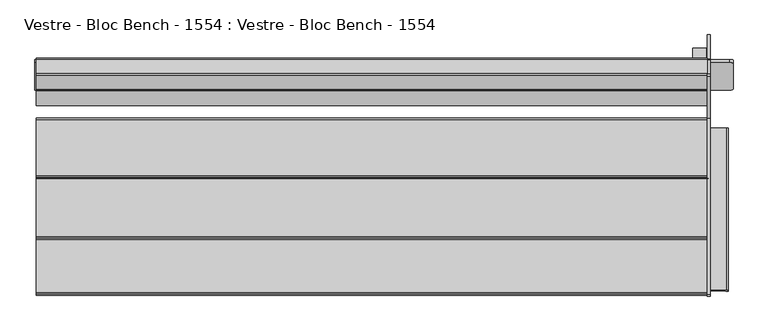
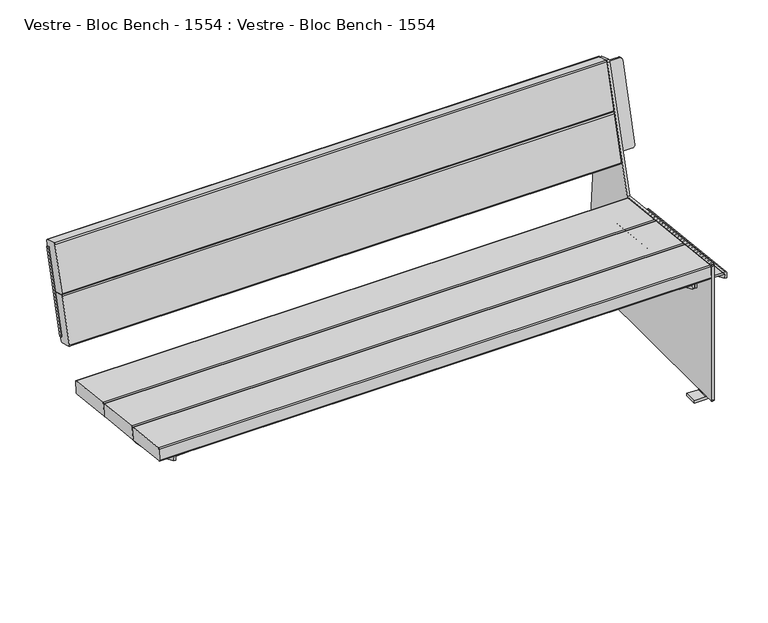
"""IFC4 building model written with IfcOpenShell, lengths in millimetres: furniture geometry, Vestre - Bloc Bench - 1554 : Vestre - Bloc Bench - 1554."""

from ifc_helpers import new_model, si_unit, point, frame, frame_2d, origin, place, context, project, spatial, polyline, circle_curve, trimmed, segment, composite_curve, outline, extrude, source, transform, mapped, element, save
from ifc_brep_helpers import plane_surface, cylinder_surface, revolved_surface, advanced_brep


def vestre_bloc_bench_1554_vestre_bloc_bench_1554_32e1565e(model_context):
    return source(origin(), model_context, "Body", "SolidModel", [
        extrude(outline(composite_curve([segment(polyline([(-56.651105, 0.0), (0.0, 0.0)]), True, "CONTINUOUS"), segment(trimmed(circle_curve(frame_2d((0.0, -8.0000001)), 8.0), [point((0.0, 0.0))], [point((7.9184089, -6.8603506))], False, "CARTESIAN"), True, "CONTINUOUS"), segment(polyline([(7.9184089, -6.8603506), (7.45034, -256.1095797)]), True, "CONTINUOUS"), segment(trimmed(circle_curve(frame_2d((-0.5496459, -256.0945564)), 8.0), [point((7.45034, -256.1095797))], [point((-0.5646692, -264.0945423))], False, "CARTESIAN"), True, "CONTINUOUS"), segment(polyline([(-0.5646692, -264.0945423), (-57.1468526, -263.9882857), (-56.651105, 0.0)]), True, "CONTINUOUS")], self_intersect=False)), frame((809.1212977, 204.6742237, 503.5014558), z_axis=(0.0013631459484884157, -0.9642258427672697, 0.2650786033856215), x_axis=(-0.9999973076401404, -0.001812174113181221, -0.0014493920980687164)), (0.0, 0.0, 1.0), 8.5816086),
        extrude(outline(composite_curve([segment(polyline([(0.0117144, 0.0), (264.0004656, 0.0), (264.0004656, -56.5822832)]), True, "CONTINUOUS"), segment(trimmed(circle_curve(frame_2d((256.0004656, -56.5822832)), 8.0), [point((264.0004656, -56.5822832))], [point((256.0004655, -64.5822832))], False, "CARTESIAN"), True, "CONTINUOUS"), segment(polyline([(256.0004655, -64.5822832), (6.750797, -64.5822832)]), True, "CONTINUOUS"), segment(trimmed(circle_curve(frame_2d((7.9053145, -56.6660284)), 8.0), [point((6.750797, -64.5822832))], [point((-0.0946714, -56.6510051))], False, "CARTESIAN"), True, "CONTINUOUS"), segment(polyline([(-0.0946714, -56.6510051), (0.0117144, 0.0)]), True, "CONTINUOUS")], self_intersect=False)), frame((-865.7722502, 204.7737801, 503.5722702), z_axis=(-0.0013631459484884229, -0.9642258427672697, 0.2650786033856215), x_axis=(0.0, 0.265078849666105, 0.9642267386147797)), (0.0, 0.0, 1.0), 8.5816086),
        advanced_brep(
        [(913.5831908, -321.0984876, 392.7020678), (913.5831908, 96.5595156, 347.1443157), (913.5831908, 98.3166022, 363.2605016), (913.5831908, -319.3437805, 408.7964286), (907.5875968, 96.5595156, 347.1443157), (907.5875968, -321.0984876, 392.7020678), (907.5875968, -319.8223825, 404.4066392), (907.5875968, 97.8380001, 358.8707122), (909.5831908, -318.9102447, 412.772865), (867.597952, -318.9102447, 412.772865), (867.597952, -319.7193007, 405.3521172), (906.6365161, -319.7193007, 405.3521172), (906.6365161, 97.941082, 359.8161902), (867.597952, 97.941082, 359.8161902), (867.597952, 98.750138, 367.236938), (909.5831908, 98.750138, 367.236938)],
        [
            (0, 1, circle_curve(frame((913.5831908, -59.7670647, 851.2475639), z_axis=(1.0, 0.0, 0.0), x_axis=(0.0, -1.0, 0.0)), 527.7860216)),
            (1, 2),
            (2, 3),
            (3, 0),
            (4, 5, circle_curve(frame((907.5875968, -59.7670647, 851.2475639), z_axis=(-1.0, 0.0, 0.0), x_axis=(0.0, -1.0, 0.0)), 527.7860216)),
            (5, 6),
            (6, 7),
            (7, 4),
            (5, 0),
            (3, 8, circle_curve(frame((909.5831908, -319.3437805, 408.7964286), z_axis=(0.0, -0.9941091089617909, 0.10838394474826071), x_axis=(0.0, -0.10838394474826071, -0.9941091089617909)), 4.0)),
            (8, 9),
            (9, 10),
            (10, 11),
            (11, 6, circle_curve(frame((906.6365161, -319.8223825, 404.4066392), z_axis=(0.0, 0.9941091089617909, -0.10838394474826071), x_axis=(0.0, -0.10838394474826071, -0.9941091089617909)), 0.9510807)),
            (4, 1),
            (7, 12, circle_curve(frame((906.6365161, 97.8380001, 358.8707122), z_axis=(0.0, -0.9941091089617909, 0.10838394474826071), x_axis=(0.0, -0.10838394474826071, -0.9941091089617909)), 0.9510807)),
            (12, 13),
            (13, 14),
            (14, 15),
            (15, 2, circle_curve(frame((909.5831908, 98.3166022, 363.2605016), z_axis=(0.0, 0.9941091089617909, -0.10838394474826071), x_axis=(0.0, -0.10838394474826071, -0.9941091089617909)), 4.0)),
            (9, 14),
            (13, 10),
            (12, 11),
            (15, 8),
        ],
        [
            plane_surface(frame((913.5831908, -319.8564605, 404.0940726), z_axis=(1.0, 0.0, 0.0), x_axis=(0.0, -0.10838394474826007, -0.994109108961791))),
            plane_surface(frame((907.5875968, -319.8564605, 404.0940726), z_axis=(-1.0, 0.0, 0.0), x_axis=(0.0, 0.10838394474826007, 0.994109108961791))),
            plane_surface(frame((913.5831908, -319.8564605, 404.0940726), z_axis=(0.0, -0.994109108961791, 0.10838394474826007), x_axis=(-1.0, 0.0, 0.0))),
            cylinder_surface(frame((907.5875968, -59.7670647, 851.2475639), z_axis=(1.0, 0.0, 0.0), x_axis=(0.0, -1.0, 0.0)), 527.7860216),
            plane_surface(frame((913.5831908, 96.5595156, 347.1443157), z_axis=(0.0, 0.9941091089617916, -0.10838394474825458), x_axis=(-1.0, 0.0, 0.0))),
            plane_surface(frame((867.597952, -318.9102447, 412.772865), z_axis=(-1.0000000000000002, 0.0, 0.0), x_axis=(0.0, 0.994109108961791, -0.10838394474826066))),
            plane_surface(frame((867.597952, -319.7193007, 405.3521172), z_axis=(0.0, -0.10838394474826069, -0.994109108961791), x_axis=(0.0, 0.994109108961791, -0.10838394474826069))),
            revolved_surface(polyline([(906.6365161, 97.73491824228601, 357.9252342105562), (906.6365161, -319.92546445485533, 403.46116123677587)]), (906.6365161, 97.8380001, 358.8707122), (0.0, 0.9941091089617909, -0.10838394474826071)),
            cylinder_surface(frame((909.5831908, 98.3166022, 363.2605016), z_axis=(0.0, -0.9941091089617909, 0.10838394474826071), x_axis=(0.0, -0.10838394474826071, -0.9941091089617909)), 4.0),
            plane_surface(frame((909.5831908, -318.9102447, 412.772865), z_axis=(0.0, 0.10838394474826066, 0.994109108961791), x_axis=(0.0, 0.994109108961791, -0.10838394474826066))),
        ],
        [
            (0, [[1, 2, 3, 4]]),
            (1, [[5, 6, 7, 8]]),
            (2, [[-6, 9, -4, 10, 11, 12, 13, 14]]),
            (3, [[-1, -9, -5, 15]]),
            (4, [[-2, -15, -8, 16, 17, 18, 19, 20]]),
            (5, [[-12, 21, -18, 22]]),
            (6, [[-13, -22, -17, 23]]),
            (7, [[-14, -23, -16, -7]]),
            (8, [[-10, -3, -20, 24]]),
            (9, [[-11, -24, -19, -21]]),
        ],
    ),
        extrude(outline(polyline([(0.0, -19.9999999), (0.0, 0.0), (1612.8148813, 0.0), (1612.8148813, -19.9999999), (0.0, -19.9999999)])), frame((806.271869, -17.9230139, 331.2273795), z_axis=(0.0, 0.10862274800818965, 0.9940830441241564), x_axis=(-1.0, 0.0, 0.0)), (0.0, 0.0, 1.0), 40.0),
        extrude(outline(polyline([(0.0, -20.0), (0.0, 0.0), (1612.8148813, 0.0), (1612.8148813, -20.0), (0.0, -20.0)])), frame((806.271869, -232.1337214, 354.6340312), z_axis=(0.0, 0.10862274800818968, 0.9940830441241564), x_axis=(-1.0, 0.0, 0.0)), (0.0, 0.0, 1.0), 40.0),
        advanced_brep(
        [(766.5577736, -318.9102447, 412.772865), (766.5577736, -319.7193007, 405.3521172), (805.5963377, -319.7193007, 405.3521172), (806.5474184, -319.8223825, 404.4066392), (806.5474184, -321.0984876, 392.7020678), (812.5430123, -321.0984876, 392.7020678), (812.5430123, -319.8564605, 404.0940726), (812.5430123, -319.3437805, 408.7964286), (808.5430123, -318.9102447, 412.772865), (766.5577736, 98.750138, 367.236938), (808.5430123, 98.750138, 367.236938), (812.5430123, 98.3166022, 363.2605016), (812.5430123, 97.8039221, 358.5581456), (812.5430123, 96.5595156, 347.1443157), (806.5474184, 96.5595156, 347.1443157), (806.5474184, 97.8380001, 358.8707122), (805.5963377, 97.941082, 359.8161902), (766.5577736, 97.941082, 359.8161902)],
        [
            (0, 1),
            (1, 2),
            (2, 3, circle_curve(frame((805.5963377, -319.8223825, 404.4066392), z_axis=(0.0, 0.9941091089617909, -0.10838394474826071), x_axis=(0.0, -0.10838394474826071, -0.9941091089617909)), 0.9510807)),
            (3, 4),
            (4, 5),
            (5, 6),
            (6, 7),
            (7, 8, circle_curve(frame((808.5430123, -319.3437805, 408.7964286), z_axis=(0.0, -0.9941091089617909, 0.10838394474826071), x_axis=(0.0, -0.10838394474826071, -0.9941091089617909)), 4.0)),
            (8, 0),
            (9, 10),
            (10, 11, circle_curve(frame((808.5430123, 98.3166022, 363.2605016), z_axis=(0.0, 0.9941091089617909, -0.10838394474826071), x_axis=(0.0, -0.10838394474826071, -0.9941091089617909)), 4.0)),
            (11, 12),
            (12, 13),
            (13, 14),
            (14, 15),
            (15, 16, circle_curve(frame((805.5963377, 97.8380001, 358.8707122), z_axis=(0.0, -0.9941091089617909, 0.10838394474826071), x_axis=(0.0, -0.10838394474826071, -0.9941091089617909)), 0.9510807)),
            (16, 17),
            (17, 9),
            (0, 9),
            (17, 1),
            (16, 2),
            (15, 3),
            (14, 4, circle_curve(frame((806.5474184, -59.7670647, 851.2475639), z_axis=(-1.0, 0.0, 0.0), x_axis=(0.0, -1.0, 0.0)), 527.7860216)),
            (5, 13, circle_curve(frame((812.5430123, -59.7670647, 851.2475639), z_axis=(1.0, 0.0, 0.0), x_axis=(0.0, -1.0, 0.0)), 527.7860216)),
            (12, 6),
            (11, 7),
            (10, 8),
        ],
        [
            plane_surface(frame((766.5577736, -319.8423819, 404.223203), z_axis=(0.0, -0.9941091089617909, 0.10838394474826071), x_axis=(0.0, -0.10838394474826071, -0.9941091089617909))),
            plane_surface(frame((766.5577736, 97.8180007, 358.6872759), z_axis=(0.0, 0.9941091089617909, -0.10838394474826071), x_axis=(0.0, 0.10838394474826071, 0.9941091089617909))),
            plane_surface(frame((766.5577736, -318.9102447, 412.772865), z_axis=(-1.0000000000000002, 0.0, 0.0), x_axis=(0.0, 0.994109108961791, -0.10838394474826066))),
            plane_surface(frame((766.5577736, -319.7193007, 405.3521172), z_axis=(0.0, -0.10838394474826069, -0.994109108961791), x_axis=(0.0, 0.994109108961791, -0.10838394474826069))),
            revolved_surface(polyline([(805.5963377, 97.73491824228601, 357.9252342105562), (805.5963377, -319.92546445485533, 403.46116123677587)]), (805.5963377, 97.8380001, 358.8707122), (0.0, 0.9941091089617909, -0.10838394474826071)),
            plane_surface(frame((806.5474184, -319.8223825, 404.4066392), z_axis=(-1.0000000000000002, 0.0, 0.0), x_axis=(0.0, 0.994109108961791, -0.10838394474826064))),
            plane_surface(frame((812.5430123, -320.2027771, 400.9176199), z_axis=(1.0000000000000002, 0.0, 0.0), x_axis=(0.0, 0.994109108961791, -0.10838394474826066))),
            plane_surface(frame((812.5430123, -319.8564605, 404.0940726), z_axis=(1.0000000000000002, 0.0, 0.0), x_axis=(0.0, 0.994109108961791, -0.10838394474826066))),
            cylinder_surface(frame((808.5430123, 98.3166022, 363.2605016), z_axis=(0.0, -0.9941091089617909, 0.10838394474826071), x_axis=(0.0, -0.10838394474826071, -0.9941091089617909)), 4.0),
            plane_surface(frame((808.5430123, -318.9102447, 412.772865), z_axis=(0.0, 0.10838394474826066, 0.994109108961791), x_axis=(0.0, 0.994109108961791, -0.10838394474826066))),
            cylinder_surface(frame((806.5474184, -59.7670647, 851.2475639), z_axis=(1.0, 0.0, 0.0), x_axis=(0.0, -1.0, 0.0)), 527.7860216),
        ],
        [
            (0, [[1, 2, 3, 4, 5, 6, 7, 8, 9]]),
            (1, [[10, 11, 12, 13, 14, 15, 16, 17, 18]]),
            (2, [[-1, 19, -18, 20]]),
            (3, [[-2, -20, -17, 21]]),
            (4, [[-3, -21, -16, 22]]),
            (5, [[-4, -22, -15, 23]]),
            (6, [[-6, 24, -13, 25]]),
            (7, [[-7, -25, -12, 26]]),
            (8, [[-8, -26, -11, 27]]),
            (9, [[-9, -27, -10, -19]]),
            (10, [[-24, -5, -23, -14]]),
        ],
    ),
        advanced_brep(
        [(813.6175866, 96.5595156, 347.1443157), (813.6175866, -321.0984876, 392.7020678), (813.6175866, -319.360624, 408.6419375), (813.6175866, 98.2997586, 363.1060105), (819.6131806, -321.0984876, 392.7020678), (819.6131806, 96.5595156, 347.1443157), (819.6131806, 97.8380001, 358.8707122), (819.6131806, -319.8223825, 404.4066392), (820.5642613, -319.7193007, 405.3521172), (859.6028254, -319.7193007, 405.3521172), (859.6028254, -318.9270883, 412.6183739), (817.6175866, -318.9270883, 412.6183739), (817.6175866, 98.7332944, 367.0824469), (859.6028254, 98.7332944, 367.0824469), (859.6028254, 97.941082, 359.8161902), (820.5642613, 97.941082, 359.8161902)],
        [
            (0, 1, circle_curve(frame((813.6175866, -59.7670647, 851.2475639), z_axis=(-1.0, 0.0, 0.0), x_axis=(0.0, -1.0, 0.0)), 527.7860216)),
            (1, 2),
            (2, 3),
            (3, 0),
            (4, 5, circle_curve(frame((819.6131806, -59.7670647, 851.2475639), z_axis=(1.0, 0.0, 0.0), x_axis=(0.0, -1.0, 0.0)), 527.7860216)),
            (5, 6),
            (6, 7),
            (7, 4),
            (1, 4),
            (7, 8, circle_curve(frame((820.5642613, -319.8223825, 404.4066392), z_axis=(0.0, 0.9941091089617909, -0.10838394474826071), x_axis=(0.0, -0.10838394474826071, -0.9941091089617909)), 0.9510807)),
            (8, 9),
            (9, 10),
            (10, 11),
            (11, 2, circle_curve(frame((817.6175866, -319.360624, 408.6419375), z_axis=(0.0, -0.9941091089617909, 0.10838394474826071), x_axis=(0.0, -0.10838394474826071, -0.9941091089617909)), 4.0)),
            (0, 5),
            (3, 12, circle_curve(frame((817.6175866, 98.2997586, 363.1060105), z_axis=(0.0, 0.9941091089617909, -0.10838394474826071), x_axis=(0.0, -0.10838394474826071, -0.9941091089617909)), 4.0)),
            (12, 13),
            (13, 14),
            (14, 15),
            (15, 6, circle_curve(frame((820.5642613, 97.8380001, 358.8707122), z_axis=(0.0, -0.9941091089617909, 0.10838394474826071), x_axis=(0.0, -0.10838394474826071, -0.9941091089617909)), 0.9510807)),
            (9, 14),
            (13, 10),
            (8, 15),
            (11, 12),
        ],
        [
            plane_surface(frame((813.6175866, 97.8039221, 358.5581456), z_axis=(-1.0, 0.0, 0.0), x_axis=(0.0, 0.9941091089617913, -0.10838394474825762))),
            plane_surface(frame((819.6131806, 97.8039221, 358.5581456), z_axis=(1.0, 0.0, 0.0), x_axis=(0.0, -0.9941091089617913, 0.10838394474825762))),
            plane_surface(frame((813.6175866, -321.0984876, 392.7020678), z_axis=(0.0, -0.9941091089617909, 0.10838394474826071), x_axis=(1.0, 0.0, 0.0))),
            cylinder_surface(frame((819.6131806, -59.7670647, 851.2475639), z_axis=(-1.0, 0.0, 0.0), x_axis=(0.0, -1.0, 0.0)), 527.7860216),
            plane_surface(frame((813.6175866, 97.8039221, 358.5581456), z_axis=(0.0, 0.9941091089617916, -0.10838394474825458), x_axis=(1.0, 0.0, 0.0))),
            plane_surface(frame((859.6028254, -319.7193007, 405.3521172), z_axis=(1.0000000000000002, 0.0, 0.0), x_axis=(0.0, 0.994109108961791, -0.10838394474826066))),
            plane_surface(frame((820.5642613, -319.7193007, 405.3521172), z_axis=(0.0, -0.10838394474826066, -0.994109108961791), x_axis=(0.0, 0.994109108961791, -0.10838394474826066))),
            revolved_surface(polyline([(820.5642613, 97.73491824228601, 357.9252342105562), (820.5642613, -319.92546445485533, 403.46116123677587)]), (820.5642613, 97.8380001, 358.8707122), (0.0, 0.9941091089617909, -0.10838394474826071)),
            cylinder_surface(frame((817.6175866, 98.2997586, 363.1060105), z_axis=(0.0, -0.9941091089617909, 0.10838394474826071), x_axis=(0.0, -0.10838394474826071, -0.9941091089617909)), 4.0),
            plane_surface(frame((859.6028254, -318.9270883, 412.6183739), z_axis=(0.0, 0.10838394474826066, 0.994109108961791), x_axis=(0.0, 0.994109108961791, -0.10838394474826066))),
        ],
        [
            (0, [[1, 2, 3, 4]]),
            (1, [[5, 6, 7, 8]]),
            (2, [[-2, 9, -8, 10, 11, 12, 13, 14]]),
            (3, [[-1, 15, -5, -9]]),
            (4, [[-6, -15, -4, 16, 17, 18, 19, 20]]),
            (5, [[-12, 21, -18, 22]]),
            (6, [[-11, 23, -19, -21]]),
            (7, [[-10, -7, -20, -23]]),
            (8, [[-14, 24, -16, -3]]),
            (9, [[-13, -22, -17, -24]]),
        ],
    ),
        advanced_brep(
        [(-766.5577736, -318.8898286, 412.9601231), (-808.5430123, -318.8898286, 412.9601231), (-812.5430123, -319.3233644, 408.9836866), (-812.5430123, -319.8564605, 404.0940726), (-812.5430123, -321.0984876, 392.7020678), (-806.5474184, -321.0984876, 392.7020678), (-806.5474184, -319.8223825, 404.4066392), (-805.5963377, -319.7193007, 405.3521172), (-766.5577736, -319.7193007, 405.3521172), (-766.5577736, 98.770554, 367.4241961), (-766.5577736, 97.941082, 359.8161902), (-805.5963377, 97.941082, 359.8161902), (-806.5474184, 97.8380001, 358.8707122), (-806.5474184, 96.5595156, 347.1443157), (-812.5430123, 96.5595156, 347.1443157), (-812.5430123, 97.8039221, 358.5581456), (-812.5430123, 98.3370182, 363.4477596), (-808.5430123, 98.770554, 367.4241961)],
        [
            (0, 1),
            (1, 2, circle_curve(frame((-808.5430123, -319.3233644, 408.9836866), z_axis=(0.0, -0.9941091089617909, 0.10838394474826071), x_axis=(0.0, -0.10838394474826071, -0.9941091089617909)), 4.0)),
            (2, 3),
            (3, 4),
            (4, 5),
            (5, 6),
            (6, 7, circle_curve(frame((-805.5963377, -319.8223825, 404.4066392), z_axis=(0.0, 0.9941091089617909, -0.10838394474826071), x_axis=(0.0, -0.10838394474826071, -0.9941091089617909)), 0.9510807)),
            (7, 8),
            (8, 0),
            (9, 10),
            (10, 11),
            (11, 12, circle_curve(frame((-805.5963377, 97.8380001, 358.8707122), z_axis=(0.0, -0.9941091089617909, 0.10838394474826071), x_axis=(0.0, -0.10838394474826071, -0.9941091089617909)), 0.9510807)),
            (12, 13),
            (13, 14),
            (14, 15),
            (15, 16),
            (16, 17, circle_curve(frame((-808.5430123, 98.3370182, 363.4477596), z_axis=(0.0, 0.9941091089617909, -0.10838394474826071), x_axis=(0.0, -0.10838394474826071, -0.9941091089617909)), 4.0)),
            (17, 9),
            (8, 10),
            (9, 0),
            (7, 11),
            (6, 12),
            (5, 13, circle_curve(frame((-806.5474184, -59.7670647, 851.2475639), z_axis=(1.0, 0.0, 0.0), x_axis=(0.0, -1.0, 0.0)), 527.7860216)),
            (3, 15),
            (14, 4, circle_curve(frame((-812.5430123, -59.7670647, 851.2475639), z_axis=(-1.0, 0.0, 0.0), x_axis=(0.0, -1.0, 0.0)), 527.7860216)),
            (2, 16),
            (1, 17),
        ],
        [
            plane_surface(frame((-812.5430123, -318.8898286, 412.9601231), z_axis=(0.0, -0.9941091089617909, 0.10838394474826071), x_axis=(-1.0, 0.0, 0.0))),
            plane_surface(frame((-812.5430123, 98.770554, 367.4241961), z_axis=(0.0, 0.9941091089617909, -0.10838394474826071), x_axis=(1.0, 0.0, 0.0))),
            plane_surface(frame((-766.5577736, -319.7193007, 405.3521172), z_axis=(1.0000000000000002, 0.0, 0.0), x_axis=(0.0, 0.994109108961791, -0.10838394474826069))),
            plane_surface(frame((-805.5963377, -319.7193007, 405.3521172), z_axis=(0.0, -0.10838394474826069, -0.994109108961791), x_axis=(0.0, 0.994109108961791, -0.10838394474826069))),
            revolved_surface(polyline([(-805.5963377, 97.73491824228601, 357.9252342105562), (-805.5963377, -319.92546445485533, 403.46116123677587)]), (-805.5963377, 97.8380001, 358.8707122), (0.0, 0.9941091089617909, -0.10838394474826071)),
            plane_surface(frame((-806.5474184, -320.2027771, 400.9176199), z_axis=(1.0000000000000002, 0.0, 0.0), x_axis=(0.0, 0.994109108961791, -0.10838394474826066))),
            plane_surface(frame((-812.5430123, -319.8564605, 404.0940726), z_axis=(-1.0000000000000002, 0.0, 0.0), x_axis=(0.0, 0.994109108961791, -0.10838394474826066))),
            plane_surface(frame((-812.5430123, -319.3233644, 408.9836866), z_axis=(-1.0000000000000002, 0.0, 0.0), x_axis=(0.0, 0.994109108961791, -0.10838394474826066))),
            cylinder_surface(frame((-808.5430123, 98.3370182, 363.4477596), z_axis=(0.0, -0.9941091089617909, 0.10838394474826071), x_axis=(0.0, -0.10838394474826071, -0.9941091089617909)), 4.0),
            plane_surface(frame((-766.5577736, -318.8898286, 412.9601231), z_axis=(0.0, 0.10838394474826066, 0.994109108961791), x_axis=(0.0, 0.994109108961791, -0.10838394474826066))),
            cylinder_surface(frame((-806.5474184, -59.7670647, 851.2475639), z_axis=(-1.0, 0.0, 0.0), x_axis=(0.0, -1.0, 0.0)), 527.7860216),
        ],
        [
            (0, [[1, 2, 3, 4, 5, 6, 7, 8, 9]]),
            (1, [[10, 11, 12, 13, 14, 15, 16, 17, 18]]),
            (2, [[-9, 19, -10, 20]]),
            (3, [[-8, 21, -11, -19]]),
            (4, [[-7, 22, -12, -21]]),
            (5, [[-13, -22, -6, 23]]),
            (6, [[-4, 24, -15, 25]]),
            (7, [[-3, 26, -16, -24]]),
            (8, [[-2, 27, -17, -26]]),
            (9, [[-1, -20, -18, -27]]),
            (10, [[-25, -14, -23, -5]]),
        ],
    ),
        extrude(outline(composite_curve([segment(polyline([(235.4059649, 633.1501572), (199.727849, 642.9513832)]), True, "CONTINUOUS"), segment(trimmed(circle_curve(frame_2d((200.7874441, 646.8084881)), 4.0), [point((199.727849, 642.9513832))], [point((196.9303315, 647.8680552))], False, "CARTESIAN"), True, "CONTINUOUS"), segment(polyline([(196.9303315, 647.8680552), (235.0646195, 786.687229)]), True, "CONTINUOUS"), segment(trimmed(circle_curve(frame_2d((238.921732, 785.6276619)), 4.0), [point((235.0646195, 786.687229))], [point((239.9813274, 789.4847667))], False, "CARTESIAN"), True, "CONTINUOUS"), segment(polyline([(239.9813274, 789.4847667), (275.659435, 779.6835409)]), True, "CONTINUOUS"), segment(trimmed(circle_curve(frame_2d((274.5998397, 775.8264361)), 4.0), [point((275.659435, 779.6835409))], [point((278.4569523, 774.7668691))], False, "CARTESIAN"), True, "CONTINUOUS"), segment(polyline([(278.4569523, 774.7668691), (240.3226727, 635.9476951)]), True, "CONTINUOUS"), segment(trimmed(circle_curve(frame_2d((236.46556, 637.0072621)), 4.0), [point((240.3226727, 635.9476951))], [point((235.4059649, 633.1501572))], False, "CARTESIAN"), True, "CONTINUOUS")], self_intersect=False)), frame((-862.6102966, 0.0, 0.0), z_axis=(1.0, 0.0, 0.0), x_axis=(0.0, 1.0, 0.0)), (0.0, 0.0, 1.0), 1722.213122),
        extrude(outline(composite_curve([segment(polyline([(195.1325032, 486.5435624), (159.4543876, 496.3447884)]), True, "CONTINUOUS"), segment(trimmed(circle_curve(frame_2d((160.5139827, 500.2018933)), 4.0), [point((159.4543876, 496.3447884))], [point((156.6568701, 501.2614604))], False, "CARTESIAN"), True, "CONTINUOUS"), segment(polyline([(156.6568701, 501.2614604), (194.8112608, 640.1538137)]), True, "CONTINUOUS"), segment(trimmed(circle_curve(frame_2d((198.6683733, 639.0942465)), 4.0), [point((194.8112608, 640.1538137))], [point((199.7279686, 642.9513513))], False, "CARTESIAN"), True, "CONTINUOUS"), segment(polyline([(199.7279686, 642.9513513), (235.406076, 633.1501256)]), True, "CONTINUOUS"), segment(trimmed(circle_curve(frame_2d((234.3464807, 629.2930208)), 4.0), [point((235.406076, 633.1501256))], [point((238.2035933, 628.2334538))], False, "CARTESIAN"), True, "CONTINUOUS"), segment(polyline([(238.2035933, 628.2334538), (200.049211, 489.3411004)]), True, "CONTINUOUS"), segment(trimmed(circle_curve(frame_2d((196.1920983, 490.4006673)), 4.0), [point((200.049211, 489.3411004))], [point((195.1325032, 486.5435624))], False, "CARTESIAN"), True, "CONTINUOUS")], self_intersect=False)), frame((-862.6102966, 0.0, 0.0), z_axis=(1.0, 0.0, 0.0), x_axis=(0.0, 1.0, 0.0)), (0.0, 0.0, 1.0), 1722.213122),
        advanced_brep(
        [(858.6003844, -303.3438949, 8.0), (821.9566967, -303.3438949, 8.0), (821.9566967, -303.3438949, 0.0), (859.6603529, -303.3438949, 0.0), (867.597952, -303.3438949, 8.2703475), (867.597952, -303.3438949, 9.9939083), (859.6028254, -303.3438949, 9.9939083), (859.6350395, -303.3438949, 9.0714168), (858.6003844, -263.3438949, 8.0), (859.6350395, -263.3438949, 9.0714168), (859.6028254, -263.3438949, 9.9939083), (867.597952, -263.3438949, 9.9939083), (867.597952, -263.3438949, 8.2703475), (859.6603529, -263.3438949, 0.0), (821.9566967, -263.3438949, 0.0), (821.9566967, -263.3438949, 8.0), (867.597952, 263.3438949, 9.9939083), (867.597952, 263.3438949, 8.2703475), (867.597952, 303.3438949, 8.2703475), (867.597952, 303.3438949, 9.9939083), (867.597952, 333.4689177, 9.9939083), (867.597952, 337.9730339, 14.8728063), (867.597952, 277.1566995, 774.9551128), (867.597952, 274.3468487, 778.4752692), (867.597952, 238.3303782, 789.7481242), (867.597952, 232.0299603, 786.3524949), (867.597952, 124.0037736, 409.002818), (867.597952, -328.5276597, 459.1940384), (867.597952, -333.3438949, 454.8824491), (867.597952, -333.3438949, 13.9003186), (867.597952, -329.4374846, 9.9939083), (867.597952, 274.7465208, 758.1308321), (867.597952, 204.7655811, 503.5745242), (867.597952, 196.4909665, 505.8493039), (867.597952, 266.4718966, 760.4056371), (858.6003844, 303.3438949, 8.0), (859.6350395, 303.3438949, 9.0714168), (859.6028254, 303.3438949, 9.9939083), (859.6603529, 303.3438949, 0.0), (821.9566967, 303.3438949, 0.0), (821.9566967, 303.3438949, 8.0), (858.6003844, 263.3438949, 8.0), (821.9566967, 263.3438949, 8.0), (821.9566967, 263.3438949, 0.0), (859.6603529, 263.3438949, 0.0), (859.6028254, 263.3438949, 9.9939083), (859.6350395, 263.3438949, 9.0714168), (859.6028254, -333.3438949, 454.8824491), (859.6028254, -328.5276597, 459.1940384), (859.6028254, 124.0037736, 409.002818), (859.6028254, 232.0299603, 786.3524949), (859.6028254, 238.3303782, 789.7481242), (859.6028254, 274.3468487, 778.4752692), (859.6028254, 277.1566995, 774.9551128), (859.6028254, 337.9730339, 14.8728063), (859.6028254, 333.4689177, 9.9939083), (859.6028254, -329.4374846, 9.9939083), (859.6028254, -333.3438949, 13.9003186), (917.9422477, 274.6803491, 758.1490236), (925.9422403, 272.5492033, 750.4381004), (925.9422403, 206.4783878, 510.1049054), (918.0109696, 204.6742237, 503.5014558), (917.9992716, 196.3996149, 505.7762566), (925.9305423, 198.2037791, 512.3797062), (925.9305423, 264.2745945, 752.7129012), (917.9305497, 266.4057403, 760.4238244)],
        [
            (0, 1),
            (1, 2),
            (2, 3),
            (3, 4, circle_curve(frame((859.32063, -303.3438949, 8.2703475), z_axis=(0.0, -1.0, 0.0), x_axis=(-1.0, 0.0, 0.0)), 8.277322)),
            (4, 5),
            (5, 6),
            (6, 7),
            (7, 0, circle_curve(frame((858.6003844, -303.3438949, 9.0352858), z_axis=(0.0, 1.0, 0.0), x_axis=(-1.0, 0.0, 0.0)), 1.0352858)),
            (8, 9, circle_curve(frame((858.6003844, -263.3438949, 9.0352858), z_axis=(0.0, -1.0, 0.0), x_axis=(-1.0, 0.0, 0.0)), 1.0352858)),
            (9, 10),
            (10, 11),
            (11, 12),
            (12, 13, circle_curve(frame((859.32063, -263.3438949, 8.2703475), z_axis=(0.0, 1.0, 0.0), x_axis=(-1.0, 0.0, 0.0)), 8.277322)),
            (13, 14),
            (14, 15),
            (15, 8),
            (7, 9),
            (8, 0),
            (6, 10),
            (2, 14),
            (13, 3),
            (1, 15),
            (4, 12),
            (11, 16),
            (16, 17),
            (17, 18),
            (18, 19),
            (19, 20),
            (20, 21, circle_curve(frame((867.597952, 333.4689177, 14.5124193), z_axis=(1.0, 0.0, 0.0), x_axis=(0.0, 1.0, 0.0)), 4.518511)),
            (21, 22),
            (22, 23, circle_curve(frame((867.597952, 273.1445925, 774.6340928), z_axis=(1.0, 0.0, 0.0), x_axis=(0.0, 1.0, 0.0)), 4.0249293)),
            (23, 24),
            (24, 25, circle_curve(frame((867.597952, 236.836866, 784.9763928), z_axis=(1.0, 0.0, 0.0), x_axis=(0.0, 1.0, 0.0)), 5.0)),
            (25, 26),
            (26, 27),
            (27, 28, circle_curve(frame((867.597952, -329.0058672, 454.8824491), z_axis=(1.0, 0.0, 0.0), x_axis=(0.0, 1.0, 0.0)), 4.3380277)),
            (28, 29),
            (29, 30, circle_curve(frame((867.597952, -329.4374846, 13.9003186), z_axis=(1.0, 0.0, 0.0), x_axis=(0.0, 1.0, 0.0)), 3.9064104)),
            (30, 5),
            (31, 32),
            (32, 33),
            (33, 34),
            (34, 31),
            (35, 36, circle_curve(frame((858.6003844, 303.3438949, 9.0352858), z_axis=(0.0, -1.0, 0.0), x_axis=(-1.0, 0.0, 0.0)), 1.0352858)),
            (36, 37),
            (37, 19),
            (18, 38, circle_curve(frame((859.32063, 303.3438949, 8.2703475), z_axis=(0.0, 1.0, 0.0), x_axis=(-1.0, 0.0, 0.0)), 8.277322)),
            (38, 39),
            (39, 40),
            (40, 35),
            (41, 42),
            (42, 43),
            (43, 44),
            (44, 17, circle_curve(frame((859.32063, 263.3438949, 8.2703475), z_axis=(0.0, -1.0, 0.0), x_axis=(-1.0, 0.0, 0.0)), 8.277322)),
            (16, 45),
            (45, 46),
            (46, 41, circle_curve(frame((858.6003844, 263.3438949, 9.0352858), z_axis=(0.0, 1.0, 0.0), x_axis=(-1.0, 0.0, 0.0)), 1.0352858)),
            (35, 41),
            (46, 36),
            (45, 37),
            (38, 44),
            (43, 39),
            (42, 40),
            (47, 48, circle_curve(frame((859.6028254, -329.0058672, 454.8824491), z_axis=(-1.0, 0.0, 0.0), x_axis=(0.0, 1.0, 0.0)), 4.3380277)),
            (48, 49),
            (49, 50),
            (50, 51, circle_curve(frame((859.6028254, 236.836866, 784.9763928), z_axis=(-1.0, 0.0, 0.0), x_axis=(0.0, 1.0, 0.0)), 5.0)),
            (51, 52),
            (52, 53, circle_curve(frame((859.6028254, 273.1445925, 774.6340928), z_axis=(-1.0, 0.0, 0.0), x_axis=(0.0, 1.0, 0.0)), 4.0249293)),
            (53, 54),
            (54, 55, circle_curve(frame((859.6028254, 333.4689177, 14.5124193), z_axis=(-1.0, 0.0, 0.0), x_axis=(0.0, 1.0, 0.0)), 4.518511)),
            (55, 37),
            (45, 10),
            (6, 56),
            (56, 57, circle_curve(frame((859.6028254, -329.4374846, 13.9003186), z_axis=(-1.0, 0.0, 0.0), x_axis=(0.0, 1.0, 0.0)), 3.9064104)),
            (57, 47),
            (28, 47),
            (57, 29),
            (56, 30),
            (55, 20),
            (54, 21),
            (53, 22),
            (52, 23),
            (51, 24),
            (50, 25),
            (49, 26),
            (48, 27),
            (31, 58),
            (58, 59, circle_curve(frame((917.9422477, 272.5597183, 750.4352097), z_axis=(0.0013631459484884346, 0.9642258427672697, -0.2650786033856215), x_axis=(-0.9999990709161299, 0.001314381772166968, -0.0003613411599522734)), 8.0)),
            (59, 60),
            (60, 61, circle_curve(frame((918.0259929, 206.794831, 511.2152616), z_axis=(0.0013631459484884437, 0.9642258427672697, -0.2650786033856214), x_axis=(0.1443145567522505, 0.26211427827888556, 0.9541852093968657)), 8.0)),
            (61, 32),
            (33, 62),
            (62, 63, circle_curve(frame((918.0142949, 198.5202222, 513.4900624), z_axis=(-0.0013631459484884437, -0.9642258427672697, 0.2650786033856214), x_axis=(0.1443145567522505, 0.26211427827888556, 0.9541852093968657)), 8.0)),
            (63, 64),
            (64, 65, circle_curve(frame((917.9305497, 264.2851095, 752.7100105), z_axis=(-0.0013631459484884346, -0.9642258427672697, 0.2650786033856215), x_axis=(-0.9999990709161299, 0.001314381772166968, -0.0003613411599522734)), 8.0)),
            (65, 34),
            (60, 63),
            (62, 61),
            (59, 64),
            (58, 65),
        ],
        [
            plane_surface(frame((821.9566967, -303.3438949, 8.0), z_axis=(0.0, -1.0, 0.0), x_axis=(-1.0, 0.0, 0.0))),
            plane_surface(frame((821.9566967, -263.3438949, 8.0), z_axis=(0.0, 1.0, 0.0), x_axis=(1.0, 0.0, 0.0))),
            revolved_surface(polyline([(857.5650986, -263.3438949, 9.0352858), (857.5650986, -303.3438949, 9.0352858)]), (858.6003844, -263.3438949, 9.0352858), (0.0, 1.0, 0.0)),
            plane_surface(frame((859.6028254, -303.3438949, 9.9939083), z_axis=(-0.9993908270190954, 0.0, -0.03489949670251134), x_axis=(0.0, 1.0, 0.0))),
            plane_surface(frame((821.9566967, -303.3438949, 0.0), z_axis=(0.0, 0.0, -1.0), x_axis=(0.0, 1.0, 0.0))),
            plane_surface(frame((821.9566967, -303.3438949, 8.0), z_axis=(-1.0, 0.0, 0.0), x_axis=(0.0, 1.0, 0.0))),
            plane_surface(frame((858.6003844, -303.3438949, 8.0), z_axis=(0.0, 0.0, 1.0), x_axis=(0.0, 1.0, 0.0))),
            plane_surface(frame((867.597952, -303.3438949, 8.2703475), z_axis=(1.0, 0.0, 0.0), x_axis=(0.0, 1.0, 0.0))),
            cylinder_surface(frame((859.32063, -263.3438949, 8.2703475), z_axis=(0.0, -1.0, 0.0), x_axis=(-1.0, 0.0, 0.0)), 8.277322),
            plane_surface(frame((857.5650985, 303.3438949, 9.0352858), z_axis=(0.0, 1.0, 0.0), x_axis=(0.0, 0.0, -1.0))),
            plane_surface(frame((857.5650985, 263.3438949, 9.0352858), z_axis=(0.0, -1.0, 0.0), x_axis=(0.0, 0.0, 1.0))),
            revolved_surface(polyline([(857.5650986, 263.3438949, 9.0352858), (857.5650986, 303.3438949, 9.0352858)]), (858.6003844, 263.3438949, 9.0352858), (0.0, -1.0, 0.0)),
            plane_surface(frame((859.6350395, 303.3438949, 9.0714168), z_axis=(-0.9993908270190954, 0.0, -0.03489949670251134), x_axis=(0.0, -1.0, 0.0))),
            plane_surface(frame((859.6603529, 303.3438949, 0.0), z_axis=(0.0, 0.0, -1.0), x_axis=(0.0, -1.0, 0.0))),
            plane_surface(frame((821.9566967, 303.3438949, 0.0), z_axis=(-1.0, 0.0, 0.0), x_axis=(0.0, -1.0, 0.0))),
            plane_surface(frame((821.9566967, 303.3438949, 8.0), z_axis=(0.0, 0.0, 1.0), x_axis=(0.0, -1.0, 0.0))),
            cylinder_surface(frame((859.32063, 263.3438949, 8.2703475), z_axis=(0.0, 1.0, 0.0), x_axis=(-1.0, 0.0, 0.0)), 8.277322),
            plane_surface(frame((859.6028254, -333.3438949, 13.9914716), z_axis=(-1.0, 0.0, 0.0), x_axis=(0.0, 0.0, 1.0))),
            plane_surface(frame((867.597952, -333.3438949, 454.8824491), z_axis=(0.0, -1.0, 0.0), x_axis=(-1.0, 0.0, 0.0))),
            cylinder_surface(frame((859.6028254, -329.4374846, 13.9003186), z_axis=(1.0, 0.0, 0.0), x_axis=(0.0, 1.0, 0.0)), 3.9064104),
            plane_surface(frame((867.597952, -329.4374846, 9.9939083), z_axis=(0.0, 0.0, -1.0), x_axis=(-1.0, 0.0, 0.0))),
            cylinder_surface(frame((859.6028254, 333.4689177, 14.5124193), z_axis=(1.0, 0.0, 0.0), x_axis=(0.0, 1.0, 0.0)), 4.518511),
            plane_surface(frame((867.597952, 337.9730339, 14.8728063), z_axis=(0.0, 0.9968142620318139, 0.07975792756817575), x_axis=(-1.0, 0.0, 0.0))),
            cylinder_surface(frame((859.6028254, 273.1445925, 774.6340928), z_axis=(1.0, 0.0, 0.0), x_axis=(0.0, 1.0, 0.0)), 4.0249293),
            plane_surface(frame((867.597952, 274.3468487, 778.4752692), z_axis=(0.0, 0.2987024356250177, 0.9543462971855039), x_axis=(-1.0, 0.0, 0.0))),
            cylinder_surface(frame((859.6028254, 236.836866, 784.9763928), z_axis=(1.0, 0.0, 0.0), x_axis=(0.0, 1.0, 0.0)), 5.0),
            plane_surface(frame((867.597952, 232.0299603, 786.3524949), z_axis=(0.0, -0.9613811502291254, 0.275220427992044), x_axis=(-1.0, 0.0, 0.0))),
            plane_surface(frame((867.597952, 124.0037736, 409.002818), z_axis=(0.0, 0.1102361569197732, 0.9939054229188807), x_axis=(-1.0, 0.0, 0.0))),
            cylinder_surface(frame((859.6028254, -329.0058672, 454.8824491), z_axis=(1.0, 0.0, 0.0), x_axis=(0.0, 1.0, 0.0)), 4.3380277),
            plane_surface(frame((867.597952, 204.7655811, 503.5745242), z_axis=(0.0013631459484884229, 0.9642258427672697, -0.2650786033856215), x_axis=(0.0, 0.265078849666105, 0.9642267386147796))),
            plane_surface(frame((867.586254, 196.4909723, 505.8493251), z_axis=(-0.0013631459484884229, -0.9642258427672697, 0.2650786033856215), x_axis=(0.0, -0.265078849666105, -0.9642267386147796))),
            cylinder_surface(frame((918.0142949, 198.5202222, 513.4900624), z_axis=(0.0013631459484884437, 0.9642258427672697, -0.2650786033856214), x_axis=(0.1443145567522505, 0.26211427827888556, 0.9541852093968657)), 8.0),
            plane_surface(frame((918.0109696, 204.6742237, 503.5014558), z_axis=(-0.0018779099002744297, -0.2650759139656611, -0.964225716982116), x_axis=(-0.001363145948494428, -0.9642258427672704, 0.2650786033856188))),
            plane_surface(frame((925.9422403, 272.5492033, 750.4381004), z_axis=(0.9999990709161299, -0.0013143817721731643, 0.000361341159952344), x_axis=(-0.001363145948494428, -0.9642258427672704, 0.2650786033856188))),
            cylinder_surface(frame((917.9305497, 264.2851095, 752.7100105), z_axis=(0.0013631459484884346, 0.9642258427672697, -0.2650786033856215), x_axis=(-0.9999990709161299, 0.001314381772166968, -0.0003613411599522734)), 8.0),
            plane_surface(frame((867.597952, 274.7465208, 758.1308321), z_axis=(0.0, 0.2650788496661023, 0.9642267386147803), x_axis=(-0.001363145948494428, -0.9642258427672704, 0.2650786033856188))),
        ],
        [
            (0, [[1, 2, 3, 4, 5, 6, 7, 8]]),
            (1, [[9, 10, 11, 12, 13, 14, 15, 16]]),
            (2, [[-8, 17, -9, 18]]),
            (3, [[-7, 19, -10, -17]]),
            (4, [[-3, 20, -14, 21]]),
            (5, [[-2, 22, -15, -20]]),
            (6, [[-1, -18, -16, -22]]),
            (7, [[23, -12, 24, 25, 26, 27, 28, 29, 30, 31, 32, 33, 34, 35, 36, 37, 38, 39, -5], [40, 41, 42, 43]]),
            (8, [[-4, -21, -13, -23]]),
            (9, [[44, 45, 46, -27, 47, 48, 49, 50]]),
            (10, [[51, 52, 53, 54, -25, 55, 56, 57]]),
            (11, [[-44, 58, -57, 59]]),
            (12, [[-45, -59, -56, 60]]),
            (13, [[-48, 61, -53, 62]]),
            (14, [[-49, -62, -52, 63]]),
            (15, [[-50, -63, -51, -58]]),
            (16, [[-47, -26, -54, -61]]),
            (17, [[64, 65, 66, 67, 68, 69, 70, 71, 72, -60, 73, -19, 74, 75, 76]]),
            (18, [[-37, 77, -76, 78]]),
            (19, [[-38, -78, -75, 79]]),
            (20, [[-24, -11, -73, -55]]),
            (20, [[-79, -74, -6, -39]]),
            (20, [[80, -28, -46, -72]]),
            (21, [[-29, -80, -71, 81]]),
            (22, [[-30, -81, -70, 82]]),
            (23, [[-31, -82, -69, 83]]),
            (24, [[-32, -83, -68, 84]]),
            (25, [[-33, -84, -67, 85]]),
            (26, [[-34, -85, -66, 86]]),
            (27, [[-35, -86, -65, 87]]),
            (28, [[-36, -87, -64, -77]]),
            (29, [[88, 89, 90, 91, 92, -40]]),
            (30, [[93, 94, 95, 96, 97, -42]]),
            (31, [[-91, 98, -94, 99]]),
            (32, [[-92, -99, -93, -41]]),
            (33, [[-90, 100, -95, -98]]),
            (34, [[-89, 101, -96, -100]]),
            (35, [[-88, -43, -97, -101]]),
        ],
    ),
        extrude(outline(composite_curve([segment(polyline([(123.8192494, 402.3213691), (120.1847471, 369.0041334)]), True, "CONTINUOUS"), segment(trimmed(circle_curve(frame_2d((116.2083371, 369.4379111)), 4.0), [point((120.1847471, 369.0041334))], [point((115.7745594, 365.461501))], False, "CARTESIAN"), True, "CONTINUOUS"), segment(polyline([(115.7745594, 365.461501), (-28.0458586, 381.1505467)]), True, "CONTINUOUS"), segment(trimmed(circle_curve(frame_2d((-27.612081, 385.1269568)), 4.0), [point((-28.0458586, 381.1505467))], [point((-31.5884911, 385.5607344))], False, "CARTESIAN"), True, "CONTINUOUS"), segment(polyline([(-31.5884911, 385.5607344), (-27.9537399, 418.8802516)]), True, "CONTINUOUS"), segment(trimmed(circle_curve(frame_2d((-23.9773298, 418.446474)), 4.0), [point((-27.9537399, 418.8802516))], [point((-23.5434891, 422.4228772))], False, "CARTESIAN"), True, "CONTINUOUS"), segment(polyline([(-23.5434891, 422.4228772), (120.27668, 406.7315499)]), True, "CONTINUOUS"), segment(trimmed(circle_curve(frame_2d((119.8428393, 402.7551467)), 4.0), [point((120.27668, 406.7315499))], [point((123.8192494, 402.3213691))], False, "CARTESIAN"), True, "CONTINUOUS")], self_intersect=False)), frame((-862.6102966, 0.0, 0.0), z_axis=(1.0, 0.0, 0.0), x_axis=(0.0, 1.0, 0.0)), (0.0, 0.0, 1.0), 1724.9737711),
        extrude(outline(composite_curve([segment(polyline([(-27.9537261, 418.8803778), (-31.5884836, 385.5608023)]), True, "CONTINUOUS"), segment(trimmed(circle_curve(frame_2d((-35.5648937, 385.9945799)), 4.0), [point((-31.5884836, 385.5608023))], [point((-35.9986713, 382.0181698))], False, "CARTESIAN"), True, "CONTINUOUS"), segment(polyline([(-35.9986713, 382.0181698), (-184.008414, 398.1642196)]), True, "CONTINUOUS"), segment(trimmed(circle_curve(frame_2d((-183.5746364, 402.1406296)), 4.0), [point((-184.008414, 398.1642196))], [point((-187.5510464, 402.5744072))], False, "CARTESIAN"), True, "CONTINUOUS"), segment(polyline([(-187.5510464, 402.5744072), (-183.9160328, 435.8963307)]), True, "CONTINUOUS"), segment(trimmed(circle_curve(frame_2d((-179.9396227, 435.4625531)), 4.0), [point((-183.9160328, 435.8963307))], [point((-179.505782, 439.4389563))], False, "CARTESIAN"), True, "CONTINUOUS"), segment(polyline([(-179.505782, 439.4389563), (-31.4962955, 423.2905586)]), True, "CONTINUOUS"), segment(trimmed(circle_curve(frame_2d((-31.9301362, 419.3141554)), 4.0), [point((-31.4962955, 423.2905586))], [point((-27.9537261, 418.8803778))], False, "CARTESIAN"), True, "CONTINUOUS")], self_intersect=False)), frame((-862.6102966, 0.0, 0.0), z_axis=(1.0, 0.0, 0.0), x_axis=(0.0, 1.0, 0.0)), (0.0, 0.0, 1.0), 1724.9737711),
        extrude(outline(composite_curve([segment(polyline([(-183.916019, 435.8964569), (-187.551035, 402.5745123)]), True, "CONTINUOUS"), segment(trimmed(circle_curve(frame_2d((-191.527445, 403.0082899)), 4.0), [point((-187.551035, 402.5745123))], [point((-191.9612227, 399.0318798))], False, "CARTESIAN"), True, "CONTINUOUS"), segment(polyline([(-191.9612227, 399.0318798), (-327.6055099, 413.8290098)]), True, "CONTINUOUS"), segment(trimmed(circle_curve(frame_2d((-327.1717323, 417.8054199)), 4.0), [point((-327.6055099, 413.8290098))], [point((-331.1481424, 418.2391975))], False, "CARTESIAN"), True, "CONTINUOUS"), segment(polyline([(-331.1481424, 418.2391975), (-327.5128917, 451.563294)]), True, "CONTINUOUS"), segment(trimmed(circle_curve(frame_2d((-323.5364816, 451.1295164)), 4.0), [point((-327.5128917, 451.563294))], [point((-323.1026409, 455.1059196))], False, "CARTESIAN"), True, "CONTINUOUS"), segment(polyline([(-323.1026409, 455.1059196), (-187.4585884, 440.3066377)]), True, "CONTINUOUS"), segment(trimmed(circle_curve(frame_2d((-187.8924291, 436.3302345)), 4.0), [point((-187.4585884, 440.3066377))], [point((-183.916019, 435.8964569))], False, "CARTESIAN"), True, "CONTINUOUS")], self_intersect=False)), frame((-862.6102966, 0.0, 0.0), z_axis=(1.0, 0.0, 0.0), x_axis=(0.0, 1.0, 0.0)), (0.0, 0.0, 1.0), 1724.9737711),
    ])


if __name__ == "__main__":
    model = new_model("IFC4")
    model_context = context("Model", 3, world=origin())
    ifc_project = project(units=[si_unit("LENGTHUNIT", "METRE", prefix="MILLI")], contexts=[model_context])
    site = spatial("IfcSite", under=ifc_project)
    building = spatial("IfcBuilding", under=site)
    placement = place(None, origin())
    vestre_bloc_bench_1554_vestre_bloc_bench_1554_shape = vestre_bloc_bench_1554_vestre_bloc_bench_1554_32e1565e(model_context)
    element("IfcFurniture", 1, ObjectType="Vestre - Bloc Bench - 1554 : Vestre - Bloc Bench - 1554", at=placement, inside=building, context=model_context, shape_type="MappedRepresentation", body=[
        mapped(vestre_bloc_bench_1554_vestre_bloc_bench_1554_shape, transform((0.0, 0.0, 0.0), x_axis=(1.0, 0.0, 0.0), y_axis=(0.0, 1.0, 0.0), z_axis=(0.0, 0.0, 1.0))),
    ])
    save(model, "model.ifc")
